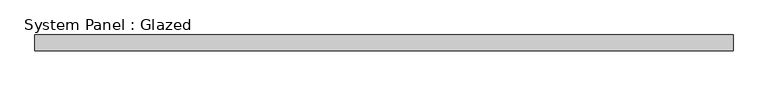
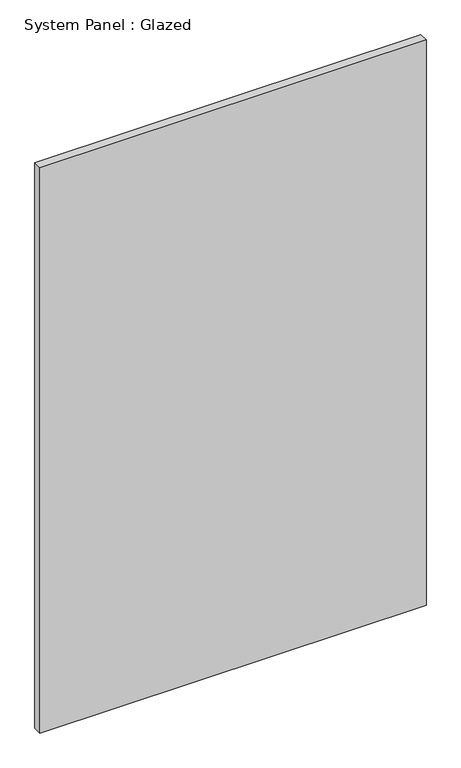
"""IFC4 building model written with IfcOpenShell, lengths in millimetres: plate geometry, System Panel : Glazed."""

from ifc_helpers import new_model, si_unit, origin, origin_with_axes, place, context, project, spatial, polyline, outline, extrude, source, transform, mapped, element, save


def system_panel_glazed_a5efdd8c(model_context):
    return source(origin(), model_context, "Body", "SweptSolid", [
        extrude(outline(polyline([(559.9103371, 19.05), (-559.9103371, 19.05), (-559.9103371, 44.45), (559.9103371, 44.45), (559.9103371, 19.05)])), origin_with_axes(), (0.0, 0.0, 1.0), 1733.55),
    ])


if __name__ == "__main__":
    model = new_model("IFC4")
    model_context = context("Model", 3, world=origin())
    ifc_project = project(units=[si_unit("LENGTHUNIT", "METRE", prefix="MILLI")], contexts=[model_context])
    site = spatial("IfcSite", under=ifc_project)
    building = spatial("IfcBuilding", under=site)
    placement = place(None, origin())
    system_panel_glazed_shape = system_panel_glazed_a5efdd8c(model_context)
    element("IfcPlate", 1, ObjectType="System Panel : Glazed", at=placement, inside=building, context=model_context, shape_type="MappedRepresentation", body=[
        mapped(system_panel_glazed_shape, transform((0.0, 0.0, 0.0), x_axis=(1.0, 0.0, 0.0), y_axis=(0.0, 1.0, 0.0), z_axis=(0.0, 0.0, 1.0))),
    ])
    save(model, "model.ifc")
